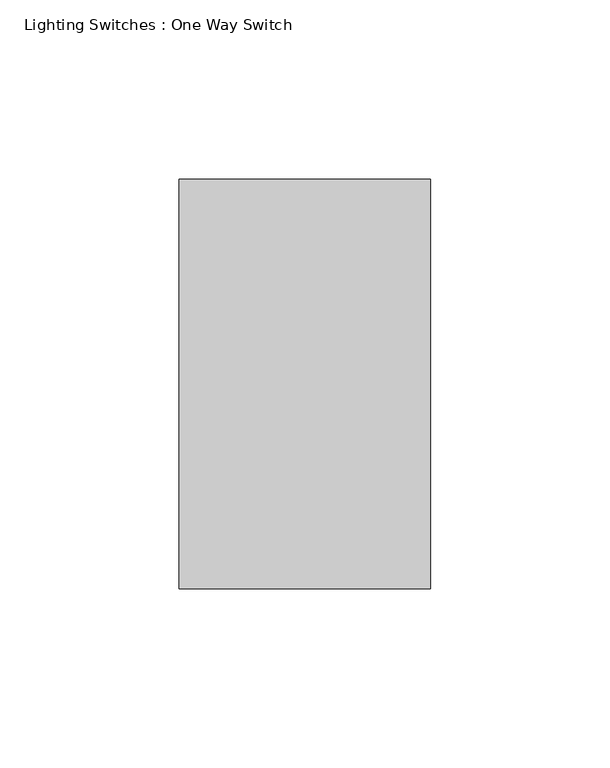
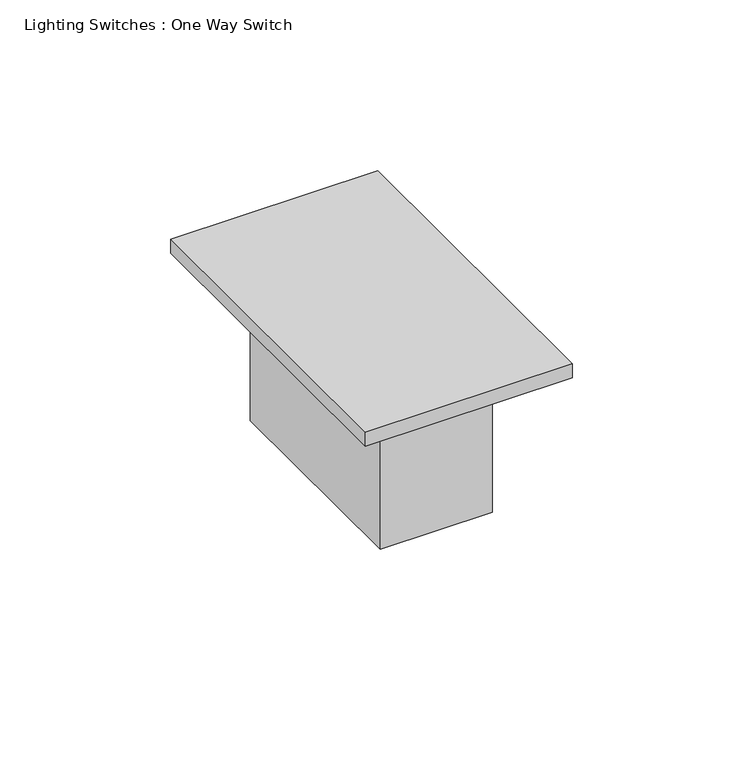
"""IFC4 building model written with IfcOpenShell, lengths in millimetres: switching device geometry, Lighting Switches : One Way Switch."""

from ifc_helpers import new_model, si_unit, frame, origin, origin_with_axes, place, context, project, spatial, polyline, outline, extrude, source, transform, mapped, element, save


def lighting_switches_one_way_switch_9cbd35ee(model_context):
    return source(origin(), model_context, "Body", "SweptSolid", [
        extrude(outline(polyline([(35.0, -114.0), (-35.0, -114.0), (-35.0, 0.0), (35.0, 0.0), (35.0, -114.0)])), origin_with_axes(), (0.0, 0.0, 1.0), 5.0),
        extrude(outline(polyline([(19.0, -95.0), (-19.0, -95.0), (-19.0, -19.0), (19.0, -19.0), (19.0, -95.0)])), frame((0.0, 0.0, -54.0), z_axis=(0.0, 0.0, 1.0), x_axis=(1.0, 0.0, 0.0)), (0.0, 0.0, 1.0), 54.0),
    ])


if __name__ == "__main__":
    model = new_model("IFC4")
    model_context = context("Model", 3, world=origin())
    ifc_project = project(units=[si_unit("LENGTHUNIT", "METRE", prefix="MILLI")], contexts=[model_context])
    site = spatial("IfcSite", under=ifc_project)
    building = spatial("IfcBuilding", under=site)
    placement = place(None, origin())
    lighting_switches_one_way_switch_shape = lighting_switches_one_way_switch_9cbd35ee(model_context)
    element("IfcSwitchingDevice", 1, ObjectType="Lighting Switches : One Way Switch", at=placement, inside=building, context=model_context, shape_type="MappedRepresentation", body=[
        mapped(lighting_switches_one_way_switch_shape, transform((0.0, 0.0, 0.0), x_axis=(1.0, 0.0, 0.0), y_axis=(0.0, 1.0, 0.0), z_axis=(0.0, 0.0, 1.0))),
    ])
    save(model, "model.ifc")
